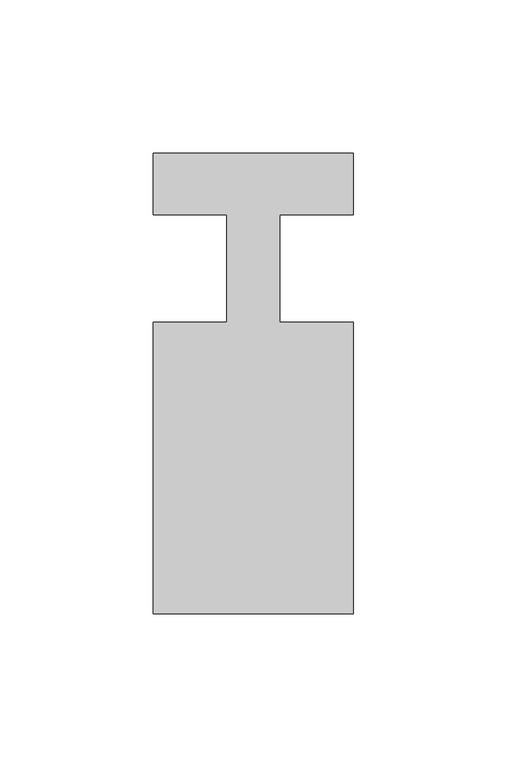
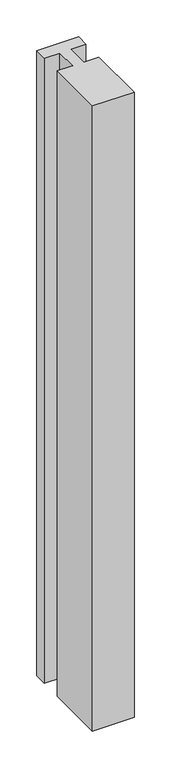
"""IFC4 building model written with IfcOpenShell, lengths in millimetres: member geometry."""

from ifc_helpers import new_model, si_unit, frame, origin, place, context, project, spatial, polyline, outline, extrude, source, transform, mapped, element, save


def member_f03c9438(model_context):
    return source(origin(), model_context, "Body", "SweptSolid", [
        extrude(outline(polyline([(-65.0, 37.0), (0.0, 37.0), (0.0, 17.0), (-23.8125, 17.0), (-23.8125, -18.0), (0.0, -18.0), (0.0, -113.0), (-65.0, -113.0), (-65.0, -18.0), (-41.1875, -18.0), (-41.1875, 17.0), (-65.0, 17.0), (-65.0, 37.0)])), frame((0.0, 0.0, -1032.5), z_axis=(0.0, 0.0, 1.0), x_axis=(1.0, 0.0, 0.0)), (0.0, 0.0, 1.0), 1032.5),
    ])


if __name__ == "__main__":
    model = new_model("IFC4")
    model_context = context("Model", 3, world=origin())
    ifc_project = project(units=[si_unit("LENGTHUNIT", "METRE", prefix="MILLI")], contexts=[model_context])
    site = spatial("IfcSite", under=ifc_project)
    building = spatial("IfcBuilding", under=site)
    placement = place(None, origin())
    member_shape = member_f03c9438(model_context)
    element("IfcMember", 1, at=placement, inside=building, context=model_context, shape_type="MappedRepresentation", body=[
        mapped(member_shape, transform((0.0, 0.0, 0.0), x_axis=(1.0, 0.0, 0.0), y_axis=(0.0, 1.0, 0.0), z_axis=(0.0, 0.0, 1.0))),
    ])
    save(model, "model.ifc")
